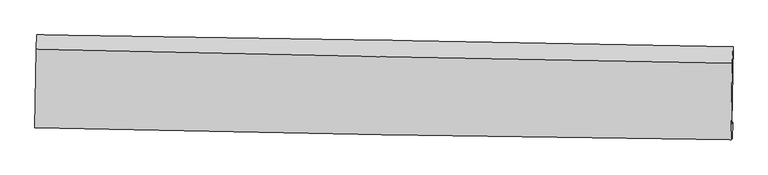
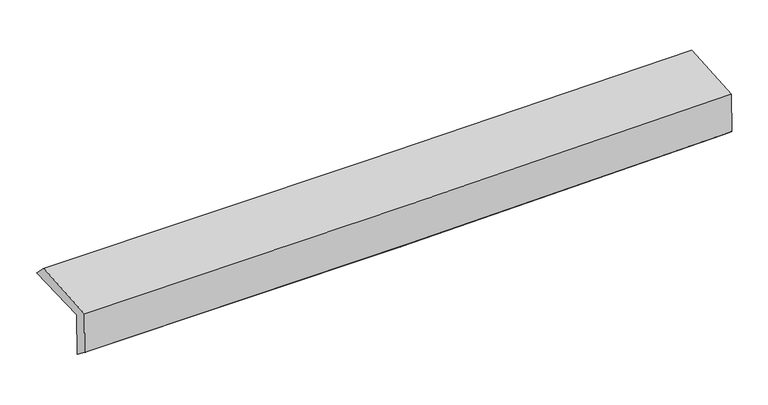
"""IFC4 building model written with IfcOpenShell, lengths in millimetres: proxy geometry."""

from ifc_helpers import new_model, si_unit, frame, origin, place, context, project, spatial, source, transform, mapped, element, save
from ifc_brep_helpers import plane_surface, spline_curve, spline_surface, advanced_brep


def generic_models_2e2dd965(model_context):
    return source(origin(), model_context, "Body", "AdvancedBrep", [
        advanced_brep(
        [(-3013.3656552, -1760.9122019, 1976.5639425), (-3001.882712, -1092.3154301, 1983.6297525), (3000.9217331, -1195.151841, 2124.7503618), (2988.7969232, -1856.2352446, 2117.7440751), (-3003.0082728, -1750.4070501, 1579.4341607), (2999.4135234, -1845.4671768, 1710.6751878), (-3007.9167981, -1882.8030823, 1680.8747536), (2993.6595715, -1988.3779039, 1831.5937818), (-3018.1253582, -1892.9004364, 2072.4731907), (2983.7734816, -1998.1533212, 2210.8360368), (-3007.2150304, -1215.3542967, 2107.9842045), (2995.1925984, -1337.8568549, 2244.8487154)],
        [
            (0, 1),
            (1, 2, spline_curve(3, [(-3001.882712, -1092.3154301, 1983.6297525), (-2000.997805077, -1105.325572312, 1993.111054695), (-1000.315102937, -1120.400483421, 2009.612002341), (1000.619701309, -1154.679395113, 2056.652572959), (2000.871814355, -1173.883287649, 2087.191828318), (3000.9217331, -1195.151841, 2124.7503618)], [4, 2, 4], [0.0, 9.85104405830657, 19.701830245341416])),
            (2, 3),
            (3, 0, spline_curve(3, [(2988.7969232, -1856.2352446, 2117.7440751), (1988.837728882, -1837.052239939, 2080.166763392), (988.684466283, -1819.517233495, 2049.613158258), (-1012.03638331, -1787.742799419, 2002.552746583), (-2012.603979913, -1773.503458673, 1986.046307294), (-3013.3656552, -1760.9122019, 1976.5639425)], [4, 2, 4], [0.0, 9.850786187034846, 19.701830245341416])),
            (4, 0),
            (3, 5),
            (5, 4, spline_curve(3, [(2999.4135234, -1845.4671768, 1710.6751878), (1999.496591351, -1826.241307114, 1671.477424179), (999.342859313, -1808.706776316, 1640.941819895), (-1001.464393671, -1777.019978945, 1597.194357108), (-2002.117926989, -1762.86780058, 1583.982952575), (-3003.0082728, -1750.4070501, 1579.4341607)], [4, 2, 4], [0.0, 9.850238750616956, 19.70073535817499])),
            (6, 4),
            (5, 7),
            (7, 6, spline_curve(3, [(2993.6595715, -1988.3779039, 1831.5937818), (1993.509009153, -1974.327451351, 1798.975589181), (993.308910478, -1958.504461568, 1770.106689398), (-1007.216543348, -1923.312947421, 1719.866816828), (-2007.541901401, -1903.944329949, 1698.496040908), (-3007.9167981, -1882.8030823, 1680.8747536)], [4, 2, 4], [0.0, 9.849949244795944, 19.700156338954358])),
            (8, 6),
            (7, 9),
            (9, 8, spline_curve(3, [(2983.7734816, -1998.1533212, 2210.8360368), (1983.504734764, -1984.221357244, 2182.74839946), (983.218671185, -1968.484439691, 2157.174461778), (-1017.414274462, -1933.400239503, 2111.053381357), (-2017.761157497, -1914.05286169, 2090.506370515), (-3018.1253582, -1892.9004364, 2072.4731907)], [4, 2, 4], [0.0, 9.849689305881169, 19.699636454320196])),
            (10, 8),
            (9, 11),
            (11, 10, spline_curve(3, [(2995.1925984, -1337.8568549, 2244.8487154), (1994.849317038, -1320.321490691, 2217.253982561), (994.483587677, -1301.345414353, 2192.051358245), (-1006.318953974, -1260.511303982, 2146.429729428), (-2006.755767622, -1238.653193813, 2126.010850136), (-3007.2150304, -1215.3542967, 2107.9842045)], [4, 2, 4], [0.0, 9.850332106047492, 19.700922071479898])),
            (1, 10),
            (11, 2),
        ],
        [
            spline_surface(3, 3, [[(-3013.3656552, -1760.9122019, 1976.5639425), (-2012.603979873, -1773.503458664, 1986.04630714), (-1012.03638316, -1787.742799526, 2002.55274644), (988.684466132, -1819.517233388, 2049.613158401), (1988.837728913, -1837.052240067, 2080.166763247), (2988.7969232, -1856.2352446, 2117.7440751)], [(-3009.53800747, -1538.046611292, 1978.919212505), (-2008.735254937, -1550.777496522, 1988.401223009), (-1008.129289791, -1565.295360838, 2004.905831773), (992.662877887, -1597.90462066, 2051.959629947), (1992.849090763, -1615.995922571, 2082.508451619), (2992.838526513, -1635.874110054, 2120.079503975)], [(-3005.71035973, -1315.181020708, 1981.274482495), (-2004.86652999, -1328.051534404, 1990.756138864), (-1004.222196408, -1342.847922084, 2007.258917017), (996.641289656, -1376.292007866, 2054.306101404), (1996.860452573, -1394.939605113, 2084.850140067), (2996.880129787, -1415.512975546, 2122.414932925)], [(-3001.882712, -1092.3154301, 1983.6297525), (-2000.997805054, -1105.325572262, 1993.111054733), (-1000.315103039, -1120.400483397, 2009.61200235), (1000.619701411, -1154.679395137, 2056.65257295), (2000.871814423, -1173.883287617, 2087.191828439), (3000.9217331, -1195.151841, 2124.7503618)]], [4, 4], [4, 2, 4], [0.0, 2.185801897468557], [0.0, 9.85104405830657, 19.701830245341416]),
            spline_surface(3, 3, [[(-3003.0082728, -1750.4070501, 1579.4341607), (-2002.117926941, -1762.867800582, 1583.982952522), (-1001.464393677, -1777.019978914, 1597.194357232), (999.342859319, -1808.706776347, 1640.94181977), (1999.496591467, -1826.241306954, 1671.477424119), (2999.4135234, -1845.4671768, 1710.6751878)], [(-3006.460733612, -1753.908767362, 1711.810754616), (-2005.61327793, -1766.413019938, 1718.00407071), (-1004.988390158, -1780.594252449, 1732.313820289), (995.790061603, -1812.310262025, 1777.165599301), (1995.943637262, -1829.844951353, 1807.70720385), (2995.874656647, -1849.056532762, 1846.364816921)], [(-3009.913194388, -1757.410484638, 1844.187348584), (-2009.108628884, -1769.958239308, 1852.025188952), (-1008.512386679, -1784.168525991, 1867.433283383), (992.237263848, -1815.913747711, 1913.38937887), (1992.390683118, -1833.448595667, 1943.936983517), (2992.335789953, -1852.645888638, 1982.054445979)], [(-3013.3656552, -1760.9122019, 1976.5639425), (-2012.603979873, -1773.503458664, 1986.04630714), (-1012.03638316, -1787.742799526, 2002.55274644), (988.684466132, -1819.517233388, 2049.613158401), (1988.837728913, -1837.052240067, 2080.166763247), (2988.7969232, -1856.2352446, 2117.7440751)]], [4, 4], [4, 2, 4], [0.0, 1.3362714968314804], [0.0, 9.850496607558036, 19.70073535817499]),
            spline_surface(3, 3, [[(-3007.9167981, -1882.8030823, 1680.8747536), (-2007.541901344, -1903.944329806, 1698.496040836), (-1007.216543411, -1923.312947306, 1719.866816933), (993.308910541, -1958.504461683, 1770.106689293), (1993.509009116, -1974.327451424, 1798.975589273), (2993.6595715, -1988.3779039, 1831.5937818)], [(-3006.280622974, -1838.671071564, 1647.061222639), (-2005.73390985, -1856.918820063, 1660.325011404), (-1005.299160173, -1874.548624491, 1678.975997031), (995.320226795, -1908.571899885, 1727.051732784), (1995.504869907, -1924.965403266, 1756.476200886), (2995.577555474, -1940.740994865, 1791.287583798)], [(-3004.644447926, -1794.539060836, 1613.247691661), (-2003.925918435, -1809.893310326, 1622.153981955), (-1003.381776916, -1825.78430173, 1638.085177134), (997.331543066, -1858.639338144, 1683.996776279), (1997.500730676, -1875.603355112, 1713.976812506), (2997.495539426, -1893.104085835, 1750.981385802)], [(-3003.0082728, -1750.4070501, 1579.4341607), (-2002.117926941, -1762.867800582, 1583.982952522), (-1001.464393677, -1777.019978914, 1597.194357232), (999.342859319, -1808.706776347, 1640.94181977), (1999.496591467, -1826.241306954, 1671.477424119), (2999.4135234, -1845.4671768, 1710.6751878)]], [4, 4], [4, 2, 4], [0.0, 0.6379324850245705], [0.0, 9.850207094158414, 19.700156338954358]),
            spline_surface(3, 3, [[(-3018.1253582, -1892.9004364, 2072.4731907), (-2017.761157622, -1914.052861774, 2090.506370526), (-1017.41427448, -1933.400239373, 2111.053381405), (983.218671203, -1968.484439821, 2157.17446173), (1983.504734682, -1984.221357125, 2182.748399516), (2983.7734816, -1998.1533212, 2210.8360368)], [(-3014.722504852, -1889.534651713, 1941.940378345), (-2014.354738882, -1910.683351131, 1959.836260641), (-1014.015030805, -1930.037808696, 1980.657859917), (986.582084301, -1965.157780453, 2028.151870921), (1986.839492831, -1980.923388535, 2054.824129424), (2987.068844904, -1994.894848743, 2084.421951789)], [(-3011.319651448, -1886.168866987, 1811.407565955), (-2010.948320084, -1907.31384045, 1829.166150721), (-1010.615787086, -1926.675377983, 1850.26233842), (989.945497443, -1961.83112105, 1899.129280102), (1990.174250967, -1977.625420014, 1926.899859365), (2990.364208196, -1991.636376357, 1958.007866811)], [(-3007.9167981, -1882.8030823, 1680.8747536), (-2007.541901344, -1903.944329806, 1698.496040836), (-1007.216543411, -1923.312947306, 1719.866816933), (993.308910541, -1958.504461683, 1770.106689293), (1993.509009116, -1974.327451424, 1798.975589273), (2993.6595715, -1988.3779039, 1831.5937818)]], [4, 4], [4, 2, 4], [0.0, 1.2775220229712922], [0.0, 9.849947148439027, 19.699636454320196]),
            spline_surface(3, 3, [[(-3007.2150304, -1215.3542967, 2107.9842045), (-2006.755767774, -1238.653193936, 2126.010850094), (-1006.318954041, -1260.511303838, 2146.429729404), (994.483587745, -1301.345414496, 2192.051358269), (1994.84931689, -1320.321490618, 2217.253982613), (2995.1925984, -1337.8568549, 2244.8487154)], [(-3010.851806312, -1441.203009939, 2096.147199876), (-2010.424231035, -1463.786416554, 2114.176023547), (-1010.017394171, -1484.807615691, 2134.637613395), (990.72861558, -1523.725089612, 2180.425726081), (1991.06778947, -1541.62144612, 2205.752121584), (2991.386226116, -1557.955677, 2233.511155871)], [(-3014.488582288, -1667.051723161, 2084.310195324), (-2014.09269436, -1688.919639156, 2102.341197073), (-1013.71583435, -1709.10392752, 2122.845497413), (986.973643367, -1746.104764705, 2168.800093918), (1987.286262102, -1762.921401623, 2194.250260544), (2987.579853884, -1778.0544991, 2222.173596329)], [(-3018.1253582, -1892.9004364, 2072.4731907), (-2017.761157622, -1914.052861774, 2090.506370526), (-1017.41427448, -1933.400239373, 2111.053381405), (983.218671203, -1968.484439821, 2157.17446173), (1983.504734682, -1984.221357125, 2182.748399516), (2983.7734816, -1998.1533212, 2210.8360368)]], [4, 4], [4, 2, 4], [0.0, 2.201533313856543], [0.0, 9.850589965432405, 19.700922071479898]),
            spline_surface(3, 3, [[(-3001.882712, -1092.3154301, 1983.6297525), (-2000.997805054, -1105.325572262, 1993.111054733), (-1000.315103039, -1120.400483397, 2009.61200235), (1000.619701411, -1154.679395137, 2056.65257295), (2000.871814423, -1173.883287617, 2087.191828439), (3000.9217331, -1195.151841, 2124.7503618)], [(-3003.660151479, -1133.32838563, 2025.08123652), (-2002.917125973, -1149.768112817, 2037.41098654), (-1002.316386711, -1167.104090191, 2055.217911358), (998.574330185, -1203.568068237, 2101.78550138), (1998.864315257, -1222.69602196, 2130.545879843), (2999.012021545, -1242.720178976, 2164.783146346)], [(-3005.437590921, -1174.34134117, 2066.53272048), (-2004.836446855, -1194.210653381, 2081.710918287), (-1004.317670369, -1213.807697045, 2100.823820396), (996.528958971, -1252.456741397, 2146.918429839), (1996.856816055, -1271.508756275, 2173.899931209), (2997.102309955, -1290.288516924, 2204.815930854)], [(-3007.2150304, -1215.3542967, 2107.9842045), (-2006.755767774, -1238.653193936, 2126.010850094), (-1006.318954041, -1260.511303838, 2146.429729404), (994.483587745, -1301.345414496, 2192.051358269), (1994.84931689, -1320.321490618, 2217.253982613), (2995.1925984, -1337.8568549, 2244.8487154)]], [4, 4], [4, 2, 4], [0.0, 0.6489309024762261], [0.0, 9.851405964510157, 19.702554048274955]),
            plane_surface(frame((2993.6263052, -1703.5403904, 2040.0746931), z_axis=(0.999499792619036, -0.018602696670043918, 0.025575461503291434), x_axis=(0.026050507961310306, 0.025758878409714935, -0.9993287002873635))),
            plane_surface(frame((-3008.5856378, -1599.1154163, 1900.1600007), z_axis=(-0.9995200045238913, 0.01743706350997456, -0.025606822776550835), x_axis=(-0.017171200319085738, -0.9997967344148881, -0.010565970515175067))),
        ],
        [
            (0, [[1, 2, 3, 4]]),
            (1, [[5, -4, 6, 7]]),
            (2, [[8, -7, 9, 10]]),
            (3, [[11, -10, 12, 13]]),
            (4, [[14, -13, 15, 16]]),
            (5, [[17, -16, 18, -2]]),
            (6, [[-12, -9, -6, -3, -18, -15]]),
            (7, [[-1, -5, -8, -11, -14, -17]]),
        ],
    ),
    ])


if __name__ == "__main__":
    model = new_model("IFC4")
    model_context = context("Model", 3, world=origin())
    ifc_project = project(units=[si_unit("LENGTHUNIT", "METRE", prefix="MILLI")], contexts=[model_context])
    site = spatial("IfcSite", under=ifc_project)
    building = spatial("IfcBuilding", under=site)
    placement = place(None, origin())
    generic_models_shape = generic_models_2e2dd965(model_context)
    element("IfcBuildingElementProxy", 1, Name="Generic Models", at=placement, inside=building, context=model_context, shape_type="MappedRepresentation", body=[
        mapped(generic_models_shape, transform((0.0, 0.0, 0.0), x_axis=(1.0, 0.0, 0.0), y_axis=(0.0, 1.0, 0.0), z_axis=(0.0, 0.0, 1.0))),
    ])
    save(model, "model.ifc")
